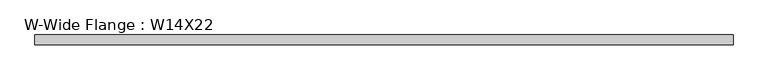
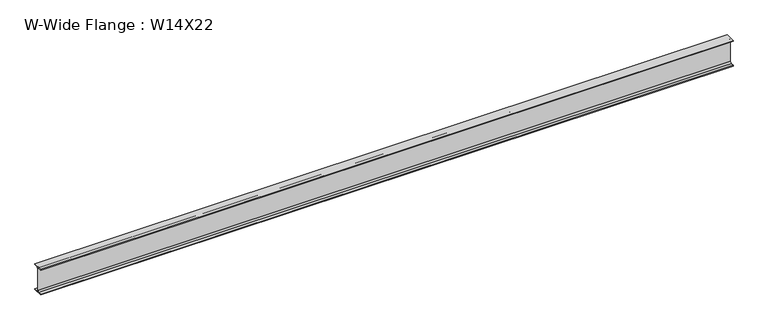
"""IFC4 building model written with IfcOpenShell, lengths in millimetres: beam geometry, W-Wide Flange : W14X22."""

from ifc_helpers import new_model, si_unit, point, frame, frame_2d, origin, place, context, project, spatial, polyline, circle_curve, trimmed, segment, composite_curve, outline, extrude, source, transform, mapped, element, save


def w_wide_flange_w14x22_1e46b62b(model_context):
    return source(origin(), model_context, "Body", "SweptSolid", [
        extrude(outline(composite_curve([segment(polyline([(63.5, -165.4472656), (63.5, -173.9800781), (-63.5, -173.9800781), (-63.5, -165.4472656), (-21.3816406, -165.4472656)]), True, "CONTINUOUS"), segment(trimmed(circle_curve(frame_2d((-21.3816406, -146.9925781)), 18.4546875), [point((-21.3816406, -165.4472656))], [point((-2.9269531, -146.9925781))], True, "CARTESIAN"), True, "CONTINUOUS"), segment(polyline([(-2.9269531, -146.9925781), (-2.9269531, 146.9925781)]), True, "CONTINUOUS"), segment(trimmed(circle_curve(frame_2d((-21.3816406, 146.9925781)), 18.4546875), [point((-2.9269531, 146.9925781))], [point((-21.3816406, 165.4472656))], True, "CARTESIAN"), True, "CONTINUOUS"), segment(polyline([(-21.3816406, 165.4472656), (-63.5, 165.4472656), (-63.5, 173.9800781), (63.5, 173.9800781), (63.5, 165.4472656), (21.3816406, 165.4472656)]), True, "CONTINUOUS"), segment(trimmed(circle_curve(frame_2d((21.3816406, 146.9925781)), 18.4546875), [point((21.3816406, 165.4472656))], [point((2.9269531, 146.9925781))], True, "CARTESIAN"), True, "CONTINUOUS"), segment(polyline([(2.9269531, 146.9925781), (2.9269531, -146.9925781)]), True, "CONTINUOUS"), segment(trimmed(circle_curve(frame_2d((21.3816406, -146.9925781)), 18.4546875), [point((2.9269531, -146.9925781))], [point((21.3816406, -165.4472656))], True, "CARTESIAN"), True, "CONTINUOUS"), segment(polyline([(21.3816406, -165.4472656), (63.5, -165.4472656)]), True, "CONTINUOUS")], self_intersect=False)), frame((-4454.2769531, 0.0, 0.0), z_axis=(1.0, 0.0, 0.0), x_axis=(0.0, 1.0, 0.0)), (0.0, 0.0, 1.0), 8930.6300781),
    ])


if __name__ == "__main__":
    model = new_model("IFC4")
    model_context = context("Model", 3, world=origin())
    ifc_project = project(units=[si_unit("LENGTHUNIT", "METRE", prefix="MILLI")], contexts=[model_context])
    site = spatial("IfcSite", under=ifc_project)
    building = spatial("IfcBuilding", under=site)
    placement = place(None, origin())
    w_wide_flange_w14x22_shape = w_wide_flange_w14x22_1e46b62b(model_context)
    element("IfcBeam", 1, ObjectType="W-Wide Flange : W14X22", at=placement, inside=building, context=model_context, shape_type="MappedRepresentation", body=[
        mapped(w_wide_flange_w14x22_shape, transform((0.0, 0.0, 0.0), x_axis=(1.0, 0.0, 0.0), y_axis=(0.0, 1.0, 0.0), z_axis=(0.0, 0.0, 1.0))),
    ])
    save(model, "model.ifc")
